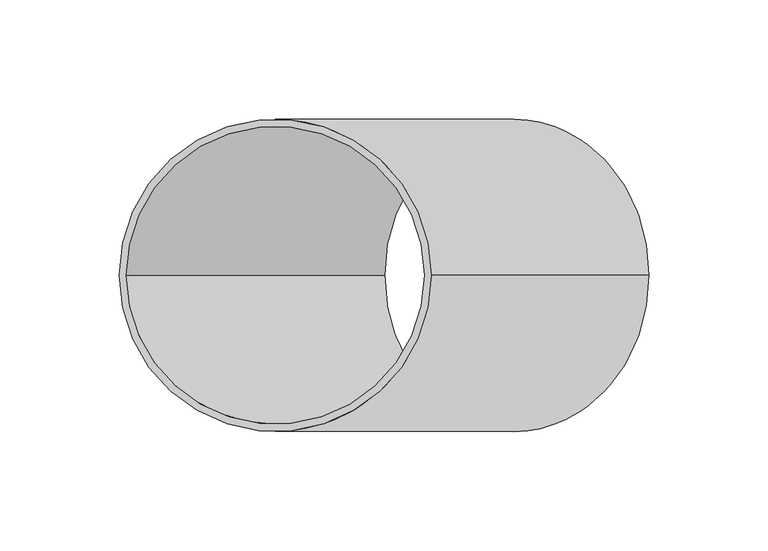
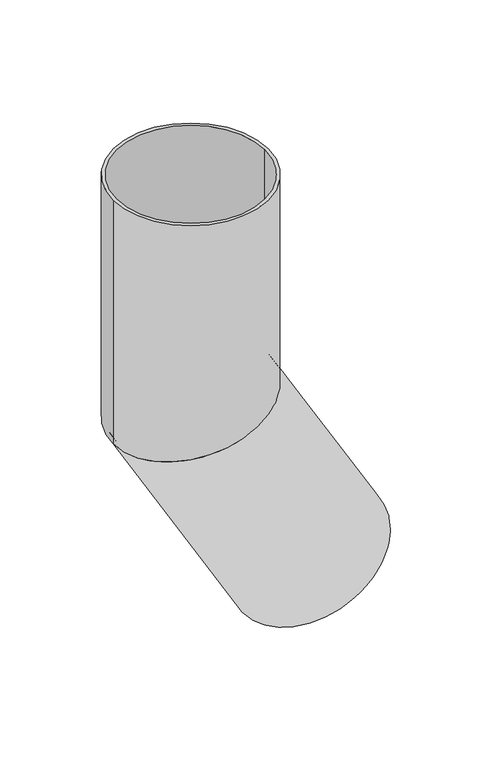
"""IFC4 building model written with IfcOpenShell, lengths in millimetres: beam geometry."""

from ifc_helpers import new_model, si_unit, frame, origin, place, context, project, spatial, polyline, circle_curve, ellipse_curve, source, transform, mapped, element, save
from ifc_brep_helpers import plane_surface, cylinder_surface, revolved_surface, advanced_brep


def beam_88d6c34a(model_context):
    return source(origin(), model_context, "Body", "AdvancedBrep", [
        advanced_brep(
        [(156.7246639, 0.0, -340.4550808), (43.2753361, 0.0, -405.9550808), (154.1265877, 0.0, -341.9550808), (45.8734123, 0.0, -404.4550808), (65.5, 0.0, 0.0), (-65.5, 0.0, 0.0), (62.5, 0.0, 0.0), (-62.5, 0.0, 0.0), (62.5, 0.0, -183.2531755), (0.0, -62.5, -200.0), (-62.5, 0.0, -216.7468245), (0.0, 62.5, -200.0), (65.5, 0.0, -182.4493279), (-65.5, 0.0, -217.5506721)],
        [
            (0, 1, circle_curve(frame((100.0, 0.0, -373.2050808), z_axis=(0.5000000000000633, 0.0, -0.8660254037844022), x_axis=(-0.8660254037844022, 0.0, -0.5000000000000633)), 65.5)),
            (1, 0, circle_curve(frame((100.0, 0.0, -373.2050808), z_axis=(0.5000000000000633, 0.0, -0.8660254037844022), x_axis=(-0.8660254037844022, 0.0, -0.5000000000000633)), 65.5)),
            (2, 3, circle_curve(frame((100.0, 0.0, -373.2050808), z_axis=(-0.5000000000000633, 0.0, 0.8660254037844022), x_axis=(-0.8660254037844022, 0.0, -0.5000000000000633)), 62.5)),
            (3, 2, circle_curve(frame((100.0, 0.0, -373.2050808), z_axis=(-0.5000000000000633, 0.0, 0.8660254037844022), x_axis=(-0.8660254037844022, 0.0, -0.5000000000000633)), 62.5)),
            (4, 5, circle_curve(frame((0.0, 0.0, 0.0), z_axis=(0.0, 0.0, 1.0), x_axis=(-1.0, 0.0, 0.0)), 65.5)),
            (5, 4, circle_curve(frame((0.0, 0.0, 0.0), z_axis=(0.0, 0.0, 1.0), x_axis=(-1.0, 0.0, 0.0)), 65.5)),
            (6, 7, circle_curve(frame((0.0, 0.0, 0.0), z_axis=(0.0, 0.0, -1.0), x_axis=(-1.0, 0.0, 0.0)), 62.5)),
            (7, 6, circle_curve(frame((0.0, 0.0, 0.0), z_axis=(0.0, 0.0, -1.0), x_axis=(-1.0, 0.0, 0.0)), 62.5)),
            (6, 8),
            (8, 9, ellipse_curve(frame((0.0, 0.0, -200.0), z_axis=(0.25881904510255604, 0.0, -0.9659258262890589), x_axis=(0.9659258262890589, 0.0, 0.25881904510255593)), 64.7047613, 62.5)),
            (9, 10, ellipse_curve(frame((0.0, 0.0, -200.0), z_axis=(0.25881904510255604, 0.0, -0.9659258262890589), x_axis=(0.9659258262890589, 0.0, 0.25881904510255593)), 64.7047613, 62.5)),
            (10, 7),
            (10, 11, ellipse_curve(frame((0.0, 0.0, -200.0), z_axis=(0.25881904510255604, 0.0, -0.9659258262890589), x_axis=(0.9659258262890589, 0.0, 0.25881904510255593)), 64.7047613, 62.5)),
            (11, 8, ellipse_curve(frame((0.0, 0.0, -200.0), z_axis=(0.25881904510255604, 0.0, -0.9659258262890589), x_axis=(0.9659258262890589, 0.0, 0.25881904510255593)), 64.7047613, 62.5)),
            (4, 12),
            (12, 13, ellipse_curve(frame((0.0, 0.0, -200.0), z_axis=(-0.25881904510255604, 0.0, 0.9659258262890589), x_axis=(-0.9659258262890589, 0.0, -0.25881904510255593)), 67.8105898, 65.5)),
            (13, 5),
            (13, 12, ellipse_curve(frame((0.0, 0.0, -200.0), z_axis=(-0.25881904510255604, 0.0, 0.9659258262890589), x_axis=(-0.9659258262890589, 0.0, -0.25881904510255593)), 67.8105898, 65.5)),
            (2, 8),
            (10, 3),
            (0, 12),
            (13, 1),
        ],
        [
            plane_surface(frame((100.0, 0.0, -373.2050808), z_axis=(0.5000000000000633, 0.0, -0.8660254037844022), x_axis=(0.0, -1.0, 0.0))),
            plane_surface(frame((0.0, 0.0, 0.0), z_axis=(0.0, 0.0, 1.0), x_axis=(0.0, -1.0, 0.0))),
            revolved_surface(polyline([(-62.5, 0.0, 0.0), (-62.5, 0.0, -216.74682453325482)]), (0.0, 0.0, -200.0), (0.0, 0.0, 1.0)),
            cylinder_surface(frame((0.0, 0.0, -200.0), z_axis=(0.0, 0.0, -1.0), x_axis=(-1.0, 0.0, 0.0)), 65.5),
            revolved_surface(polyline([(-62.5000000303495, 0.0, -216.74682451752227), (45.87341227260443, 0.0, -404.45508081581687)]), (100.0, 0.0, -373.2050808), (-0.5000000000000633, 0.0, 0.8660254037844022)),
            cylinder_surface(frame((100.0, 0.0, -373.2050808), z_axis=(0.5000000000000633, 0.0, -0.8660254037844022), x_axis=(-0.8660254037844022, 0.0, -0.5000000000000633)), 65.5),
        ],
        [
            (0, [[1, 2], [3, 4]]),
            (1, [[5, 6], [7, 8]]),
            (2, [[-7, 9, 10, 11, 12]]),
            (2, [[-8, -12, 13, 14, -9]]),
            (3, [[-5, 15, 16, 17]]),
            (3, [[-6, -17, 18, -15]]),
            (4, [[-3, 19, -14, -13, 20]]),
            (4, [[-4, -20, -11, -10, -19]]),
            (5, [[-1, 21, -18, 22]]),
            (5, [[-2, -22, -16, -21]]),
        ],
    ),
    ])


if __name__ == "__main__":
    model = new_model("IFC4")
    model_context = context("Model", 3, world=origin())
    ifc_project = project(units=[si_unit("LENGTHUNIT", "METRE", prefix="MILLI")], contexts=[model_context])
    site = spatial("IfcSite", under=ifc_project)
    building = spatial("IfcBuilding", under=site)
    placement = place(None, origin())
    beam_shape = beam_88d6c34a(model_context)
    element("IfcBeam", 1, at=placement, inside=building, context=model_context, shape_type="MappedRepresentation", body=[
        mapped(beam_shape, transform((0.0, 0.0, 0.0), x_axis=(1.0, 0.0, 0.0), y_axis=(0.0, 1.0, 0.0), z_axis=(0.0, 0.0, 1.0))),
    ])
    save(model, "model.ifc")
